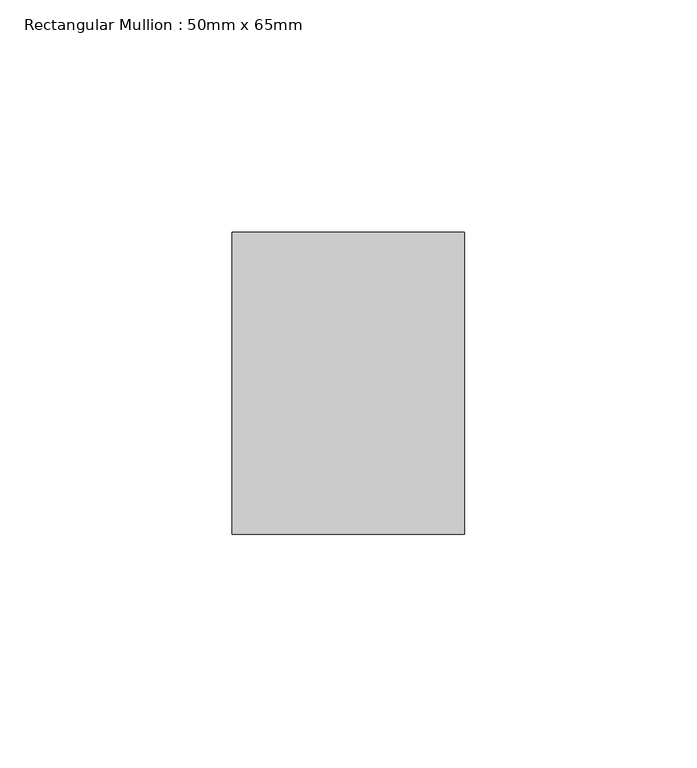
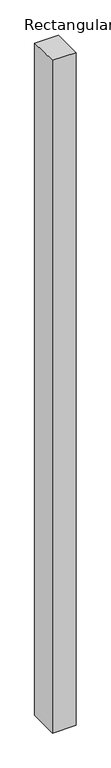
"""IFC4 building model written with IfcOpenShell, lengths in millimetres: member geometry, Rectangular Mullion : 50mm x 65mm."""

from ifc_helpers import new_model, si_unit, origin, place, context, project, spatial, faceted_brep, source, transform, mapped, element, save


def rectangular_mullion_50mm_x_65mm_766944f8(model_context):
    return source(origin(), model_context, "Body", "Brep", [
        faceted_brep([(-25.0, 32.5, -0.3057246), (25.0, 32.5, -0.3057233), (25.0, 32.5, -1499.7972361), (-25.0, 32.5, -1499.7972351), (-25.0, -32.5, 0.3057233), (-25.0, -32.5, -1500.2027112), (25.0, -32.5, 0.3057246), (25.0, -32.5, -1500.2027121)], [[[0, 1, 2, 3]], [[4, 0, 3, 5]], [[6, 4, 5, 7]], [[1, 6, 7, 2]], [[1, 0, 4, 6]], [[2, 7, 5, 3]]]),
    ])


if __name__ == "__main__":
    model = new_model("IFC4")
    model_context = context("Model", 3, world=origin())
    ifc_project = project(units=[si_unit("LENGTHUNIT", "METRE", prefix="MILLI")], contexts=[model_context])
    site = spatial("IfcSite", under=ifc_project)
    building = spatial("IfcBuilding", under=site)
    placement = place(None, origin())
    rectangular_mullion_50mm_x_65mm_shape = rectangular_mullion_50mm_x_65mm_766944f8(model_context)
    element("IfcMember", 1, ObjectType="Rectangular Mullion : 50mm x 65mm", at=placement, inside=building, context=model_context, shape_type="MappedRepresentation", body=[
        mapped(rectangular_mullion_50mm_x_65mm_shape, transform((0.0, 0.0, 0.0), x_axis=(1.0, 0.0, 0.0), y_axis=(0.0, 1.0, 0.0), z_axis=(0.0, 0.0, 1.0))),
    ])
    save(model, "model.ifc")
